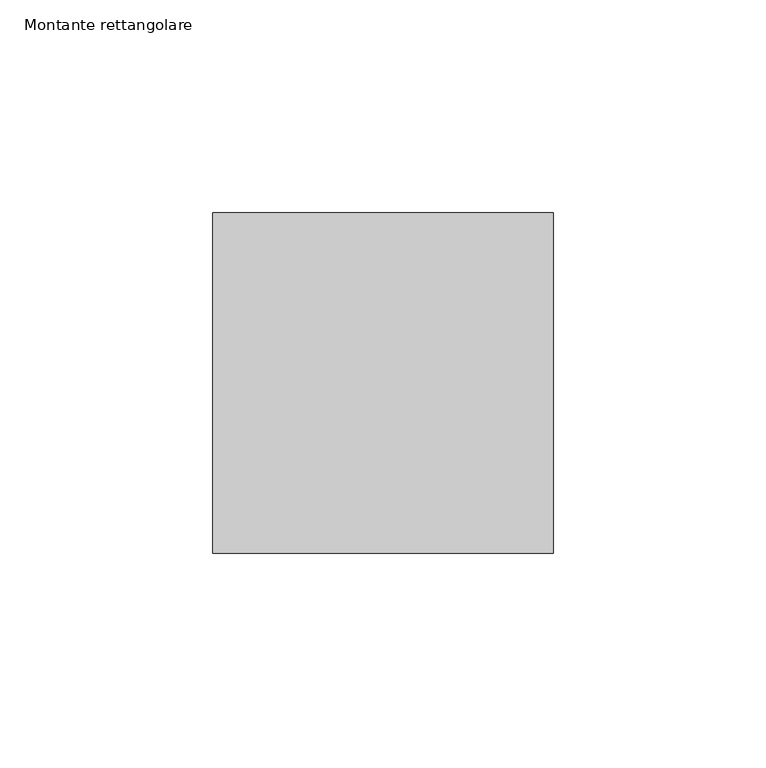
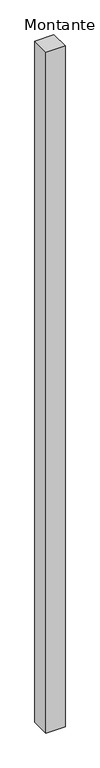
"""IFC4 building model written with IfcOpenShell, lengths in millimetres: member geometry, Montante rettangolare."""

from ifc_helpers import new_model, si_unit, frame, origin, place, context, project, spatial, polyline, outline, extrude, source, transform, mapped, element, save


def montante_rettangolare_cd565e16(model_context):
    return source(origin(), model_context, "Body", "SweptSolid", [
        extrude(outline(polyline([(40.0, 40.0), (40.0, -40.0), (-40.0, -40.0), (-40.0, 40.0), (40.0, 40.0)])), frame((0.0, 0.0, -3017.5579135), z_axis=(0.0, 0.0, 1.0), x_axis=(1.0, 0.0, 0.0)), (0.0, 0.0, 1.0), 3017.5579135),
    ])


if __name__ == "__main__":
    model = new_model("IFC4")
    model_context = context("Model", 3, world=origin())
    ifc_project = project(units=[si_unit("LENGTHUNIT", "METRE", prefix="MILLI")], contexts=[model_context])
    site = spatial("IfcSite", under=ifc_project)
    building = spatial("IfcBuilding", under=site)
    placement = place(None, origin())
    montante_rettangolare_shape = montante_rettangolare_cd565e16(model_context)
    element("IfcMember", 1, ObjectType="Montante rettangolare", at=placement, inside=building, context=model_context, shape_type="MappedRepresentation", body=[
        mapped(montante_rettangolare_shape, transform((0.0, 0.0, 0.0), x_axis=(1.0, 0.0, 0.0), y_axis=(0.0, 1.0, 0.0), z_axis=(0.0, 0.0, 1.0))),
    ])
    save(model, "model.ifc")
